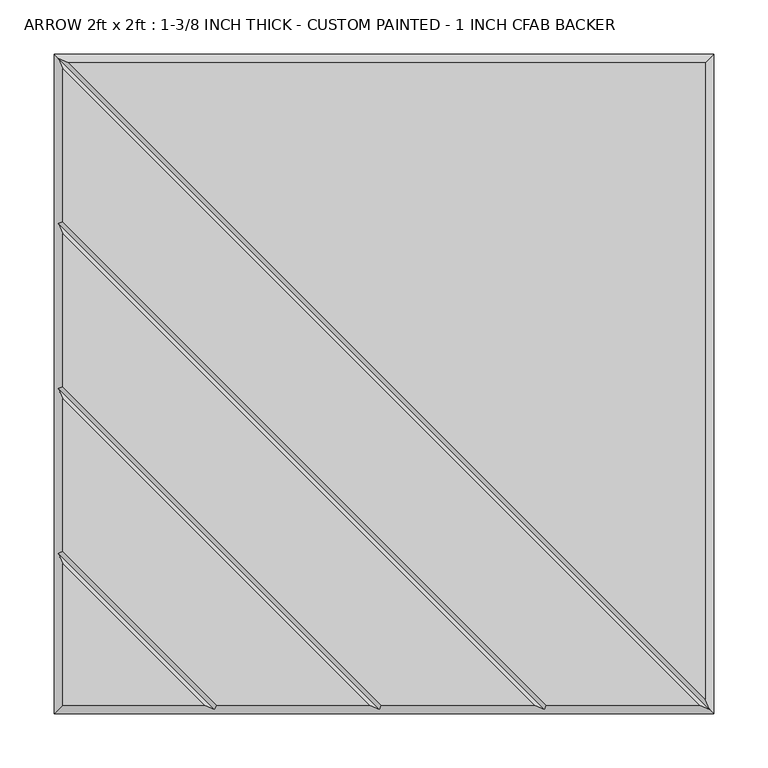
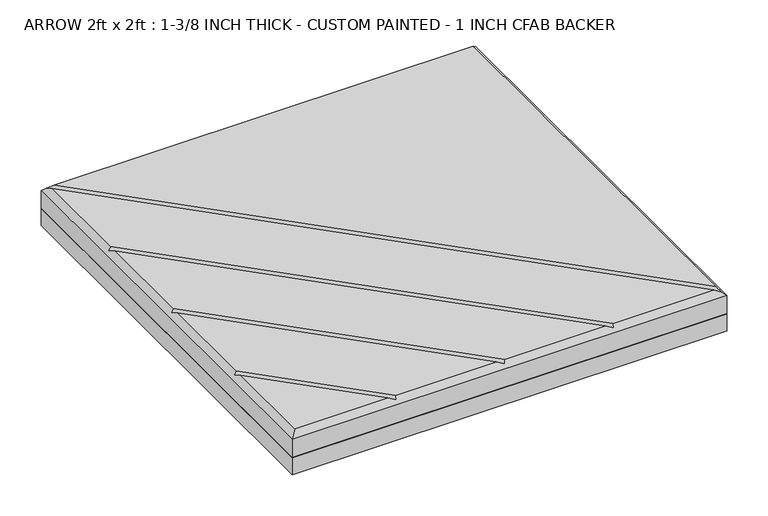
"""IFC4 building model written with IfcOpenShell, lengths in millimetres: proxy geometry, ARROW 2ft x 2ft : 1-3/8 INCH THICK - CUSTOM PAINTED - 1 INCH CFAB BACKER."""

from ifc_helpers import new_model, si_unit, frame, origin, place, context, project, spatial, polyline, outline, extrude, faceted_brep, source, transform, mapped, element, save


def arrow_2ft_x_2ft_1_3_8_inch_thick_custom_painted_1_inch_cfab_5d1732cd(model_context):
    return source(origin(), model_context, "Body", "SolidModel", [
        extrude(outline(polyline([(-304.8, 304.8), (304.8, 304.8), (304.8, -304.8), (-304.8, -304.8), (-304.8, 304.8)])), frame((0.0, 0.0, -25.4), z_axis=(0.0, 0.0, 1.0), x_axis=(1.0, 0.0, 0.0)), (0.0, 0.0, 1.0), 25.4),
        faceted_brep([(296.799, 296.799, 34.925), (-291.1414386, 296.799, 34.925), (296.799, -291.1414386, 34.925), (291.1414386, -296.799, 34.925), (-296.799, 291.1414386, 34.925), (-296.799, 150.0565868, 34.925), (150.0565868, -296.799, 34.925), (138.741464, -296.799, 34.925), (-296.799, 138.741464, 34.925), (-296.799, -2.3434132, 34.925), (-2.3434132, -296.799, 34.925), (-13.658536, -296.799, 34.925), (-296.799, -13.658536, 34.925), (-296.799, -154.7434132, 34.925), (-154.7434132, -296.799, 34.925), (-296.799, -166.058536, 34.925), (-296.799, -296.799, 34.925), (-166.058536, -296.799, 34.925), (-304.8, 304.8, 0.0), (304.8, 304.8, 0.0), (304.8, -304.8, 0.0), (-304.8, -304.8, 0.0), (-304.8, -304.8, 26.924), (-304.8, 304.8, 26.924), (304.8, -304.8, 26.924), (304.8, 304.8, 26.924), (-300.7995, 300.7995, 30.9245), (-300.7995, -156.4004746, 30.9245), (-300.7995, -4.0004746, 30.9245), (-300.7995, 148.3995254, 30.9245), (300.7995, -300.7995, 30.9245), (148.3995254, -300.7995, 30.9245), (-4.0004746, -300.7995, 30.9245), (-156.4004746, -300.7995, 30.9245)], [[[0, 1, 2]], [[3, 4, 5, 6]], [[7, 8, 9, 10]], [[11, 12, 13, 14]], [[15, 16, 17]], [[18, 19, 20, 21]], [[18, 21, 22, 23]], [[21, 20, 24, 22]], [[20, 19, 25, 24]], [[19, 18, 23, 25]], [[0, 25, 23, 26, 1]], [[22, 16, 15, 27, 13, 12, 28, 9, 8, 29, 5, 4, 26, 23]], [[16, 22, 24, 30, 3, 6, 31, 7, 10, 32, 11, 14, 33, 17]], [[25, 0, 2, 30, 24]], [[26, 30, 2, 1]], [[30, 26, 4, 3]], [[29, 31, 6, 5]], [[31, 29, 8, 7]], [[28, 32, 10, 9]], [[32, 28, 12, 11]], [[27, 33, 14, 13]], [[33, 27, 15, 17]]]),
    ])


if __name__ == "__main__":
    model = new_model("IFC4")
    model_context = context("Model", 3, world=origin())
    ifc_project = project(units=[si_unit("LENGTHUNIT", "METRE", prefix="MILLI")], contexts=[model_context])
    site = spatial("IfcSite", under=ifc_project)
    building = spatial("IfcBuilding", under=site)
    placement = place(None, origin())
    arrow_2ft_x_2ft_1_3_8_inch_thick_custom_painted_1_inch_cfab_shape = arrow_2ft_x_2ft_1_3_8_inch_thick_custom_painted_1_inch_cfab_5d1732cd(model_context)
    element("IfcBuildingElementProxy", 1, Name="ARROW 2ft x 2ft : 1-3/8 INCH THICK - CUSTOM PAINTED - 1 INCH CFAB BACKER", ObjectType="ARROW 2ft x 2ft : 1-3/8 INCH THICK - CUSTOM PAINTED - 1 INCH CFAB BACKER", at=placement, inside=building, context=model_context, shape_type="MappedRepresentation", body=[
        mapped(arrow_2ft_x_2ft_1_3_8_inch_thick_custom_painted_1_inch_cfab_shape, transform((0.0, 0.0, 0.0), x_axis=(1.0, 0.0, 0.0), y_axis=(0.0, 1.0, 0.0), z_axis=(0.0, 0.0, 1.0))),
    ])
    save(model, "model.ifc")
